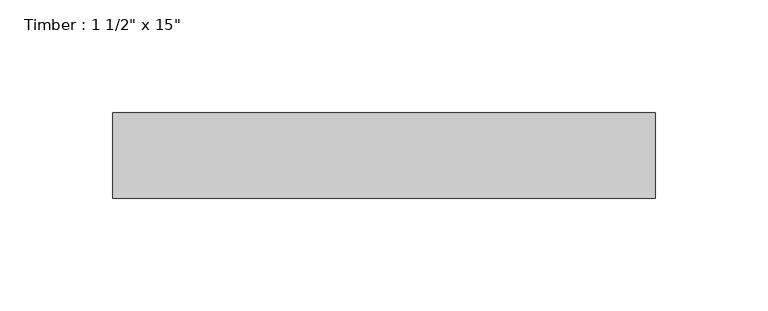
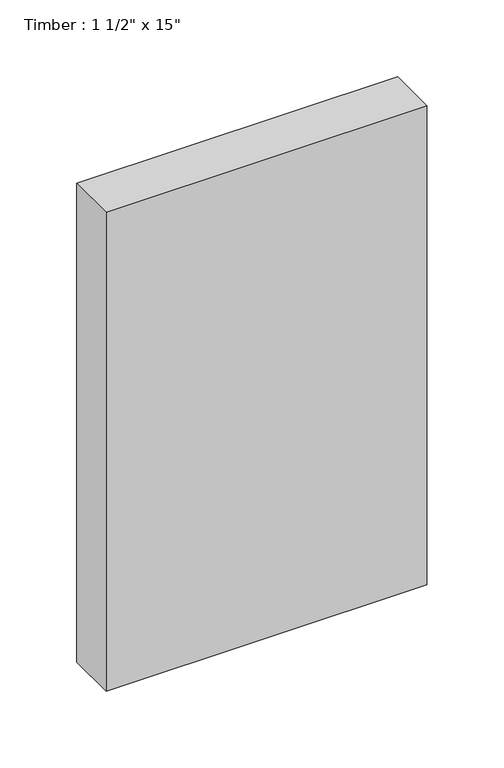
"""IFC4 building model written with IfcOpenShell, lengths in millimetres: beam geometry."""

from ifc_helpers import new_model, si_unit, frame, origin, place, context, project, spatial, polyline, outline, extrude, source, transform, mapped, element, save


def beam_dca4331c(model_context):
    return source(origin(), model_context, "Body", "SweptSolid", [
        extrude(outline(polyline([(120.65, 19.05), (120.65, -19.05), (-120.65, -19.05), (-120.65, 19.05), (120.65, 19.05)])), frame((0.0, 0.0, -190.5), z_axis=(0.0, 0.0, 1.0), x_axis=(1.0, 0.0, 0.0)), (0.0, 0.0, 1.0), 381.0),
    ])


if __name__ == "__main__":
    model = new_model("IFC4")
    model_context = context("Model", 3, world=origin())
    ifc_project = project(units=[si_unit("LENGTHUNIT", "METRE", prefix="MILLI")], contexts=[model_context])
    site = spatial("IfcSite", under=ifc_project)
    building = spatial("IfcBuilding", under=site)
    placement = place(None, origin())
    beam_shape = beam_dca4331c(model_context)
    element("IfcBeam", 1, ObjectType="Timber : 1 1/2\" x 15\"", at=placement, inside=building, context=model_context, shape_type="MappedRepresentation", body=[
        mapped(beam_shape, transform((0.0, 0.0, 0.0), x_axis=(1.0, 0.0, 0.0), y_axis=(0.0, 1.0, 0.0), z_axis=(0.0, 0.0, 1.0))),
    ])
    save(model, "model.ifc")
